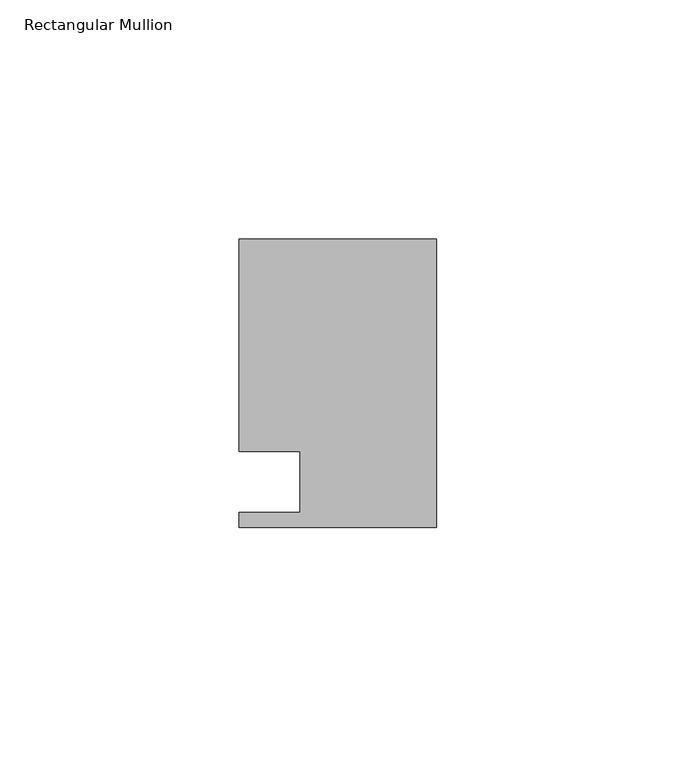
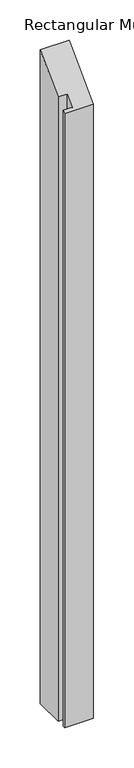
"""IFC4 building model written with IfcOpenShell, lengths in millimetres: member geometry, Rectangular Mullion."""

import ifcopenshell
import ifcopenshell.guid

model = None  # the IFC model being written
_history = None  # IfcOwnerHistory: only IFC2X3 demands one
_inside = {}  # id of a spatial element -> (the spatial element, [elements in it])
_under = {}  # id of a project, library or spatial element -> (it, [spatial elements below it])
_declared = {}  # id of a project -> (the project, [libraries it declares])
_typed = {}  # id of a type object -> (the type object, [elements of that type])
_made_of = {}  # id of a material, layer set ... -> (it, [elements and type objects made of it])


def new_model(schema):
    """Start an empty IFC model of exactly this schema.

    Asked for "IFC4X3", IfcOpenShell would pick the latest addendum, in which some entities
    have other attributes; the version numbers below select the first issue.
    IFC2X3 requires an IfcOwnerHistory on every rooted entity: one is made here for all.
    """
    global model, _history
    if schema == "IFC4X3":
        model = ifcopenshell.file(schema_version=(4, 3, 0, 0))
    else:
        model = ifcopenshell.file(schema=schema)
    _inside.clear()
    _under.clear()
    _declared.clear()
    _typed.clear()
    _made_of.clear()
    _history = None
    if model.schema == "IFC2X3":
        org = make("IfcOrganization", Name="unknown")
        user = make(
            "IfcPersonAndOrganization",
            ThePerson=make("IfcPerson", FamilyName="unknown"),
            TheOrganization=org,
        )
        app = make(
            "IfcApplication",
            ApplicationDeveloper=org,
            Version="unknown",
            ApplicationFullName="unknown",
            ApplicationIdentifier="unknown",
        )
        _history = make(
            "IfcOwnerHistory",
            OwningUser=user,
            OwningApplication=app,
            ChangeAction="ADDED",
            CreationDate=0,
        )
    return model


def make(cls, **values):
    """One entity of the class cls with the attributes given. An attribute that is None is left unset."""
    return model.create_entity(
        cls, **{name: value for name, value in values.items() if value is not None}
    )


def rooted(cls, **values):
    """An entity with a GlobalId (a new one), such as an element, a storey or a relation."""
    return make(cls, GlobalId=ifcopenshell.guid.new(), OwnerHistory=_history, **values)


def si_unit(unit_type, name, prefix=None):
    """IfcSIUnit, for example si_unit("LENGTHUNIT", "METRE", prefix="MILLI")."""
    return make("IfcSIUnit", UnitType=unit_type, Prefix=prefix, Name=name)


def assignment(units):
    """IfcUnitAssignment: the units of a project."""
    return None if units is None else make("IfcUnitAssignment", Units=units)


def point(xyz):
    """IfcCartesianPoint."""
    return None if xyz is None else make("IfcCartesianPoint", Coordinates=xyz)


def direction(xyz):
    """IfcDirection."""
    return None if xyz is None else make("IfcDirection", DirectionRatios=xyz)


def frame(location, z_axis=None, x_axis=None):
    """IfcAxis2Placement3D, a coordinate frame: its origin and axes. An axis left out is left unset."""
    return make(
        "IfcAxis2Placement3D",
        Location=point(location),
        Axis=direction(z_axis),
        RefDirection=direction(x_axis),
    )


def origin():
    """The frame at (0, 0, 0) with its axes left unset."""
    return frame((0.0, 0.0, 0.0))


def place(relative_to, where):
    """IfcLocalPlacement: puts the frame where relative to a parent placement (None: the world)."""
    return make(
        "IfcLocalPlacement", PlacementRelTo=relative_to, RelativePlacement=where
    )


def context(
    kind, dimensions, precision=None, world=None, true_north=None, identifier=None
):
    """IfcGeometricRepresentationContext, for example the 3D "Model" context."""
    return make(
        "IfcGeometricRepresentationContext",
        ContextIdentifier=identifier,
        ContextType=kind,
        CoordinateSpaceDimension=dimensions,
        Precision=precision,
        WorldCoordinateSystem=world,
        TrueNorth=true_north,
    )


def project(units=None, contexts=None):
    """IfcProject with its units and contexts."""
    return rooted(
        "IfcProject",
        Name="project",
        RepresentationContexts=contexts,
        UnitsInContext=assignment(units),
    )


def spatial(cls, under=None, at=None, **own):
    """A site, building, storey or space (cls), placed at a placement, below another one or the project."""
    s = rooted(cls, ObjectPlacement=at, **own)
    if under is not None:
        _under.setdefault(under.id(), (under, []))[1].append(s)
    return s


def faces_of(points, faces, orient=None, outer=None):
    """IfcFace entities. A face is a list of loops; a loop is a list of indices into points, from 0.

    orient and outer hold one flag for each loop. By default every Orientation is true, the
    first loop of a face is its IfcFaceOuterBound and the others are IfcFaceBound.
    """
    made = []
    for i, loops in enumerate(faces):
        bounds = []
        for j, loop in enumerate(loops):
            is_outer = j == 0 if outer is None else outer[i][j]
            bounds.append(
                make(
                    "IfcFaceOuterBound" if is_outer else "IfcFaceBound",
                    Bound=make("IfcPolyLoop", Polygon=[points[k] for k in loop]),
                    Orientation=True if orient is None else orient[i][j],
                )
            )
        made.append(make("IfcFace", Bounds=bounds))
    return made


def faceted_brep(points, faces, orient=None, outer=None, voids=None):
    """IfcFacetedBrep: a solid bounded by flat faces; with voids (closed shells), ...WithVoids."""
    shared = [point(p) for p in points]
    hull = make("IfcClosedShell", CfsFaces=faces_of(shared, faces, orient, outer))
    if voids is None:
        return make("IfcFacetedBrep", Outer=hull)
    return make(
        "IfcFacetedBrepWithVoids",
        Outer=hull,
        Voids=[
            make(cls, CfsFaces=faces_of(shared, fs, o, b)) for cls, fs, o, b in voids
        ],
    )


def shape(context_of_items, identifier, shape_type, items):
    """IfcShapeRepresentation: the items that make up one representation, for example the "Body"."""
    return make(
        "IfcShapeRepresentation",
        ContextOfItems=context_of_items,
        RepresentationIdentifier=identifier,
        RepresentationType=shape_type,
        Items=items,
    )


def source(mapping_origin, context_of_items, identifier, shape_type, items):
    """IfcRepresentationMap: a shape defined once, which mapped items show again and again."""
    return make(
        "IfcRepresentationMap",
        MappingOrigin=mapping_origin,
        MappedRepresentation=shape(context_of_items, identifier, shape_type, items),
    )


def transform(
    local_origin,
    x_axis=None,
    y_axis=None,
    z_axis=None,
    scale=None,
    scale2=None,
    scale3=None,
    uniform=True,
):
    """IfcCartesianTransformationOperator3D, or its non-uniform kind. x_axis, y_axis, z_axis: its Axis1, 2, 3."""
    if uniform:
        return make(
            "IfcCartesianTransformationOperator3D",
            Axis1=direction(x_axis),
            Axis2=direction(y_axis),
            LocalOrigin=point(local_origin),
            Scale=scale,
            Axis3=direction(z_axis),
        )
    return make(
        "IfcCartesianTransformationOperator3DnonUniform",
        Axis1=direction(x_axis),
        Axis2=direction(y_axis),
        LocalOrigin=point(local_origin),
        Scale=scale,
        Axis3=direction(z_axis),
        Scale2=scale2,
        Scale3=scale3,
    )


def mapped(mapping_source, mapping_target):
    """IfcMappedItem: shows the shape of a source again, moved by a transform."""
    return make(
        "IfcMappedItem", MappingSource=mapping_source, MappingTarget=mapping_target
    )


def made_of(thing, what):
    """Note that an element or type object is made of a material, layer set ...; save() writes the relation."""
    if what is not None:
        _made_of.setdefault(what.id(), (what, []))[1].append(thing)
    return thing


def element(
    cls,
    number,
    at=None,
    inside=None,
    cuts=None,
    type_object=None,
    material=None,
    context=None,
    identifier="Body",
    shape_type=None,
    held_by="IfcProductDefinitionShape",
    body=None,
    shapes=None,
    **own,
):
    """One element of the class cls, such as IfcWall. Its Tag is "e" and its number.

    at: its placement. inside: the storey or other place that contains it. cuts: it is an
    opening in that element (IfcRelVoidsElement). A single representation is given by context,
    identifier, shape_type and body (its items); several are given by shapes. held_by: the class
    of the entity that holds the representations. save() writes the other relations.
    """
    e = rooted(cls, Tag="e%d" % number, ObjectPlacement=at, **own)
    if body is not None:
        shapes = [shape(context, identifier, shape_type, body)]
    if shapes is not None:
        e.Representation = make(held_by, Representations=shapes)
    if inside is not None:
        _inside.setdefault(inside.id(), (inside, []))[1].append(e)
    if cuts is not None:
        rooted(
            "IfcRelVoidsElement", RelatingBuildingElement=cuts, RelatedOpeningElement=e
        )
    if type_object is not None:
        _typed.setdefault(type_object.id(), (type_object, []))[1].append(e)
    return made_of(e, material)


def aggregate(whole, parts):
    """IfcRelAggregates: a whole, such as a stair, and the parts it consists of."""
    return rooted("IfcRelAggregates", RelatingObject=whole, RelatedObjects=parts)


def save(model, path):
    """Write the relations noted so far, then the file.

    IfcRelAggregates (storeys below a building ...), IfcRelContainedInSpatialStructure (elements
    in a storey), IfcRelDefinesByType, IfcRelAssociatesMaterial and IfcRelDeclares: one each for
    every whole, place, type object, material and project.
    """
    for whole, parts in _under.values():
        aggregate(whole, parts)
    for where, things in _inside.values():
        rooted(
            "IfcRelContainedInSpatialStructure",
            RelatedElements=things,
            RelatingStructure=where,
        )
    for kind, things in _typed.values():
        rooted("IfcRelDefinesByType", RelatedObjects=things, RelatingType=kind)
    for what, things in _made_of.values():
        rooted("IfcRelAssociatesMaterial", RelatedObjects=things, RelatingMaterial=what)
    for by, libraries in _declared.values():
        rooted("IfcRelDeclares", RelatingContext=by, RelatedDefinitions=libraries)
    model.write(path)


def rectangular_mullion_2dc71469(model_context):
    return source(origin(), model_context, "Body", "Brep", [
        faceted_brep([(0.0, 30.1625, -960.4375), (0.0, -30.1625, -960.4375), (-41.275, -30.1625, -960.4375), (-41.275, -26.9875, -960.4375), (-28.575, -26.9875, -960.4375), (-28.575, -14.2875, -960.4375), (-41.275, -14.2875, -960.4375), (-41.275, 30.1625, -960.4375), (-41.275, 30.1625, 30.1625), (0.0, 30.1625, 30.1625), (-41.275, -14.2875, -14.2875), (-28.575, -14.2875, -14.2875), (-28.575, -26.9875, -26.9875), (-41.275, -26.9875, -26.9875), (-41.275, -30.1625, -30.1625), (0.0, -30.1625, -30.1625)], [[[0, 1, 2, 3, 4, 5, 6, 7]], [[8, 9, 0, 7]], [[10, 8, 7, 6]], [[11, 10, 6, 5]], [[12, 11, 5, 4]], [[13, 12, 4, 3]], [[14, 13, 3, 2]], [[15, 14, 2, 1]], [[9, 15, 1, 0]], [[9, 8, 10, 11, 12, 13, 14, 15]]]),
    ])


if __name__ == "__main__":
    model = new_model("IFC4")
    model_context = context("Model", 3, world=origin())
    ifc_project = project(units=[si_unit("LENGTHUNIT", "METRE", prefix="MILLI")], contexts=[model_context])
    site = spatial("IfcSite", under=ifc_project)
    building = spatial("IfcBuilding", under=site)
    placement = place(None, origin())
    rectangular_mullion_shape = rectangular_mullion_2dc71469(model_context)
    element("IfcMember", 1, ObjectType="Rectangular Mullion", at=placement, inside=building, context=model_context, shape_type="MappedRepresentation", body=[
        mapped(rectangular_mullion_shape, transform((0.0, 0.0, 0.0), x_axis=(1.0, 0.0, 0.0), y_axis=(0.0, 1.0, 0.0), z_axis=(0.0, 0.0, 1.0))),
    ])
    save(model, "model.ifc")
